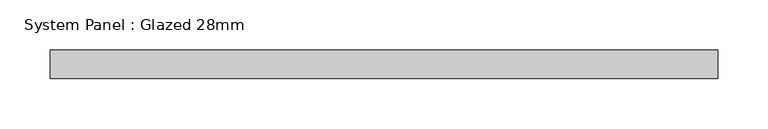
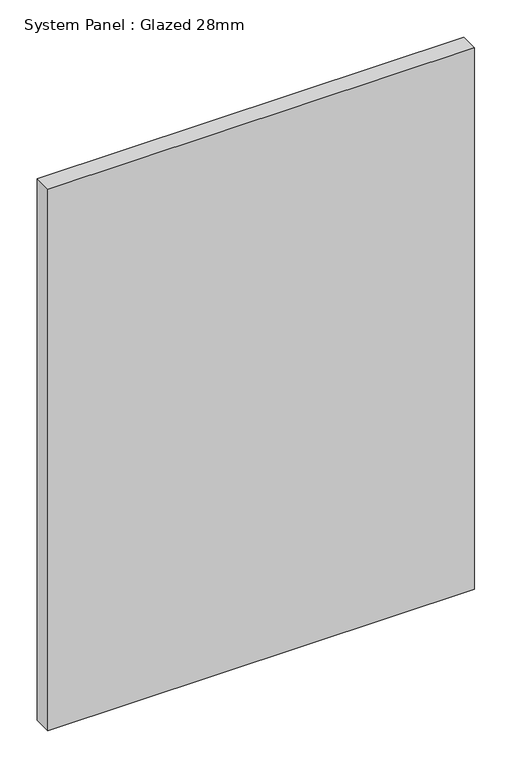
"""IFC4 building model written with IfcOpenShell, lengths in millimetres: plate geometry, System Panel : Glazed 28mm."""

from ifc_helpers import new_model, si_unit, origin, origin_with_axes, place, context, project, spatial, polyline, outline, extrude, source, transform, mapped, element, save


def system_panel_glazed_28mm_4de7bc25(model_context):
    return source(origin(), model_context, "Body", "SweptSolid", [
        extrude(outline(polyline([(330.9959689, -14.0), (-330.9959689, -14.0), (-330.9959689, 14.0), (330.9959689, 14.0), (330.9959689, -14.0)])), origin_with_axes(), (0.0, 0.0, 1.0), 887.6823429),
    ])


if __name__ == "__main__":
    model = new_model("IFC4")
    model_context = context("Model", 3, world=origin())
    ifc_project = project(units=[si_unit("LENGTHUNIT", "METRE", prefix="MILLI")], contexts=[model_context])
    site = spatial("IfcSite", under=ifc_project)
    building = spatial("IfcBuilding", under=site)
    placement = place(None, origin())
    system_panel_glazed_28mm_shape = system_panel_glazed_28mm_4de7bc25(model_context)
    element("IfcPlate", 1, ObjectType="System Panel : Glazed 28mm", at=placement, inside=building, context=model_context, shape_type="MappedRepresentation", body=[
        mapped(system_panel_glazed_28mm_shape, transform((0.0, 0.0, 0.0), x_axis=(1.0, 0.0, 0.0), y_axis=(0.0, 1.0, 0.0), z_axis=(0.0, 0.0, 1.0))),
    ])
    save(model, "model.ifc")
